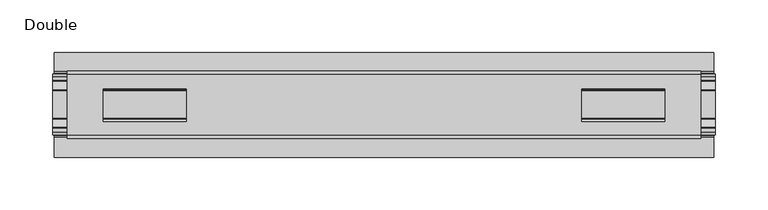
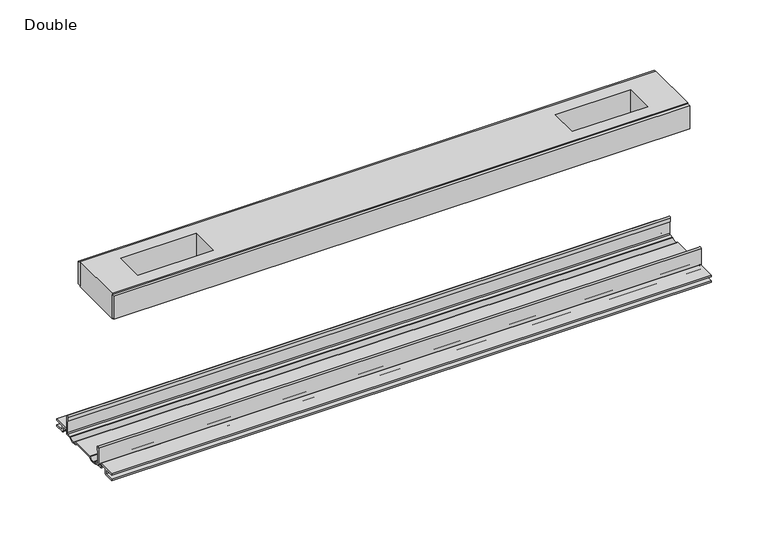
"""IFC4 building model written with IfcOpenShell, lengths in millimetres: proxy geometry, Double."""

from ifc_helpers import new_model, si_unit, point, frame, frame_2d, origin, place, context, project, spatial, polyline, circle_curve, trimmed, segment, composite_curve, outline, extrude, source, transform, mapped, element, save


def double_d49f8474(model_context):
    return source(origin(), model_context, "Body", "SweptSolid", [
        extrude(outline(polyline([(301.5615091, -29.0068005), (301.5615091, -32.1817997), (-301.5615091, -32.1817997), (-301.5615091, -29.0068005), (301.5615091, -29.0068005)])), frame((0.0, 0.0, 149.8401622), z_axis=(0.0, 0.0, 1.0), x_axis=(1.0, 0.0, 0.0)), (0.0, 0.0, 1.0), 25.3999939),
        extrude(outline(polyline([(301.5615091, 32.1817997), (301.5615091, 29.0068005), (-301.5615091, 29.0068005), (-301.5615091, 32.1817997), (301.5615091, 32.1817997)])), frame((0.0, 0.0, 149.8401622), z_axis=(0.0, 0.0, 1.0), x_axis=(1.0, 0.0, 0.0)), (0.0, 0.0, 1.0), 25.3999939),
        extrude(outline(polyline([(301.5615091, 29.0068005), (301.5615091, -29.0068005), (-301.5615091, -29.0068005), (-301.5615091, 29.0068005), (301.5615091, 29.0068005)]), holes=[polyline([(267.1444965, 15.1130038), (188.0996847, 15.1130038), (188.0996847, -15.875003), (267.1444965, -15.875003), (267.1444965, 15.1130038)]), polyline([(-267.1444965, 15.1130038), (-267.1444965, -15.875003), (-188.0996847, -15.875003), (-188.0996847, 15.1130038), (-267.1444965, 15.1130038)])]), frame((0.0, 0.0, 148.4185847), z_axis=(0.0, 0.0, 1.0), x_axis=(1.0, 0.0, 0.0)), (0.0, 0.0, 1.0), 27.9999988),
        extrude(outline(composite_curve([segment(polyline([(-28.8162961, -7.7516037), (-28.8162961, 9.8607558)]), True, "CONTINUOUS"), segment(trimmed(circle_curve(frame_2d((-27.5970982, 9.8607558)), 1.2191979), [point((-28.8162961, 9.8607558))], [point((-26.3779003, 9.8607558))], False, "CARTESIAN"), True, "CONTINUOUS"), segment(polyline([(-26.3779003, 9.8607558), (-26.3779003, 5.9999563), (-27.6580769, 5.9999563), (-27.6580769, -7.7516037)]), True, "CONTINUOUS"), segment(trimmed(circle_curve(frame_2d((-26.6420561, -7.7516037)), 1.0160208), [point((-27.6580769, -7.7516037))], [point((-26.6485732, -8.7676036))], True, "CARTESIAN"), True, "CONTINUOUS"), segment(polyline([(-26.6485732, -8.7676036), (-22.7056226, -8.7676036), (-21.7922609, -8.968753)]), True, "CONTINUOUS"), segment(trimmed(circle_curve(frame_2d((-17.7673021, -6.1259382)), 4.9276657), [point((-21.7922609, -8.968753))], [point((-13.7423434, -8.968753))], True, "CARTESIAN"), True, "CONTINUOUS"), segment(polyline([(-13.7423434, -8.968753), (-12.8289726, -8.7676036), (13.2099722, -8.7676036), (14.123343, -8.968753)]), True, "CONTINUOUS"), segment(trimmed(circle_curve(frame_2d((18.1483018, -6.1259382)), 4.9276657), [point((14.123343, -8.968753))], [point((22.1732605, -8.968753))], True, "CARTESIAN"), True, "CONTINUOUS"), segment(polyline([(22.1732605, -8.968753), (23.0866222, -8.7676036), (27.0295728, -8.7676036)]), True, "CONTINUOUS"), segment(trimmed(circle_curve(frame_2d((27.0230557, -7.7516037)), 1.0160208), [point((27.0295728, -8.7676036))], [point((28.0390765, -7.7516037))], True, "CARTESIAN"), True, "CONTINUOUS"), segment(polyline([(28.0390765, -7.7516037), (28.0390765, 5.9999563), (26.7588999, 5.9999563), (26.7588999, 9.8607558)]), True, "CONTINUOUS"), segment(trimmed(circle_curve(frame_2d((27.9780978, 9.8607558)), 1.2191979), [point((26.7588999, 9.8607558))], [point((29.1972958, 9.8607558))], False, "CARTESIAN"), True, "CONTINUOUS"), segment(polyline([(29.1972958, 9.8607558), (29.1972958, -7.7516037)]), True, "CONTINUOUS"), segment(trimmed(circle_curve(frame_2d((27.0230557, -7.7516037)), 2.17424), [point((29.1972958, -7.7516037))], [point((27.0230557, -9.9258438))], False, "CARTESIAN"), True, "CONTINUOUS"), segment(polyline([(27.0230557, -9.9258438), (22.732069, -9.9258438)]), True, "CONTINUOUS"), segment(trimmed(circle_curve(frame_2d((18.1516545, -6.4800016)), 5.7318431), [point((22.732069, -9.9258438))], [point((13.57124, -9.9258438))], False, "CARTESIAN"), True, "CONTINUOUS"), segment(polyline([(13.57124, -9.9258438), (-13.1902404, -9.9258438)]), True, "CONTINUOUS"), segment(trimmed(circle_curve(frame_2d((-17.7706549, -6.4800016)), 5.7318431), [point((-13.1902404, -9.9258438))], [point((-22.3510694, -9.9258438))], False, "CARTESIAN"), True, "CONTINUOUS"), segment(polyline([(-22.3510694, -9.9258438), (-26.6420561, -9.9258438)]), True, "CONTINUOUS"), segment(trimmed(circle_curve(frame_2d((-26.6420561, -7.7516037)), 2.17424), [point((-26.6420561, -9.9258438))], [point((-28.8162961, -7.7516037))], False, "CARTESIAN"), True, "CONTINUOUS")], self_intersect=False)), frame((-315.6204, 0.0, 0.0), z_axis=(1.0, 0.0, 0.0), x_axis=(0.0, 1.0, 0.0)), (0.0, 0.0, 1.0), 631.2408),
        extrude(outline(composite_curve([segment(polyline([(-50.2668422, -13.9898438), (-50.2240211, -12.3388438), (-39.7827507, -12.3388438), (-39.7827507, -7.766844), (-50.2240211, -7.766844), (-50.2668422, -6.1158439), (-31.1784975, -6.1158439)]), True, "CONTINUOUS"), segment(trimmed(circle_curve(frame_2d((-31.1784975, -7.6398436)), 1.5239997), [point((-31.1784975, -6.1158439))], [point((-29.6544978, -7.6398436))], False, "CARTESIAN"), True, "CONTINUOUS"), segment(polyline([(-29.6544978, -7.6398436), (-29.6544978, -9.9258438), (-23.1058344, -9.9258438)]), True, "CONTINUOUS"), segment(trimmed(circle_curve(frame_2d((-17.7673021, -5.2268471)), 7.1119966), [point((-23.1058344, -9.9258438))], [point((-12.4287699, -9.9258438))], True, "CARTESIAN"), True, "CONTINUOUS"), segment(polyline([(-12.4287699, -9.9258438), (12.8097695, -9.9258438)]), True, "CONTINUOUS"), segment(trimmed(circle_curve(frame_2d((18.1483018, -5.2268471)), 7.1119966), [point((12.8097695, -9.9258438))], [point((23.486834, -9.9258438))], True, "CARTESIAN"), True, "CONTINUOUS"), segment(polyline([(23.486834, -9.9258438), (30.0354975, -9.9258438), (30.0354975, -7.7656583)]), True, "CONTINUOUS"), segment(trimmed(circle_curve(frame_2d((31.6864982, -7.7656583)), 1.6510007), [point((30.0354975, -7.7656583))], [point((31.6239218, -6.1158439))], False, "CARTESIAN"), True, "CONTINUOUS"), segment(polyline([(31.6239218, -6.1158439), (50.00625, -6.1158439), (50.00625, -7.766844), (40.1637503, -7.766844), (40.1637503, -12.3388438), (50.00625, -12.3388438), (50.00625, -13.9898438), (40.0367518, -13.9898438)]), True, "CONTINUOUS"), segment(trimmed(circle_curve(frame_2d((40.0367518, -12.4658438)), 1.524), [point((40.0367518, -13.9898438))], [point((38.5127519, -12.4658438))], False, "CARTESIAN"), True, "CONTINUOUS"), segment(polyline([(38.5127519, -12.4658438), (38.5127519, -7.766844), (31.686497, -7.766844), (31.686497, -10.0528438)]), True, "CONTINUOUS"), segment(trimmed(circle_curve(frame_2d((30.1624971, -10.0528438)), 1.524), [point((31.686497, -10.0528438))], [point((30.1624971, -11.5768438))], False, "CARTESIAN"), True, "CONTINUOUS"), segment(polyline([(30.1624971, -11.5768438), (23.6563549, -11.5768438)]), True, "CONTINUOUS"), segment(trimmed(circle_curve(frame_2d((18.1483018, -6.4968436)), 7.4930002), [point((23.6563549, -11.5768438))], [point((12.8904968, -11.8354331))], False, "CARTESIAN"), True, "CONTINUOUS"), segment(polyline([(12.8904968, -11.8354331), (-12.5094972, -11.8354331)]), True, "CONTINUOUS"), segment(trimmed(circle_curve(frame_2d((-17.7673021, -6.4968436)), 7.4930002), [point((-12.5094972, -11.8354331))], [point((-23.2753553, -11.5768438))], False, "CARTESIAN"), True, "CONTINUOUS"), segment(polyline([(-23.2753553, -11.5768438), (-29.7814974, -11.5768438)]), True, "CONTINUOUS"), segment(trimmed(circle_curve(frame_2d((-29.7814974, -10.0528438)), 1.524), [point((-29.7814974, -11.5768438))], [point((-31.3054974, -10.0528438))], False, "CARTESIAN"), True, "CONTINUOUS"), segment(polyline([(-31.3054974, -10.0528438), (-31.3054974, -7.766844), (-38.1317522, -7.766844), (-38.1317522, -12.4658438)]), True, "CONTINUOUS"), segment(trimmed(circle_curve(frame_2d((-39.6557522, -12.4658438)), 1.524), [point((-38.1317522, -12.4658438))], [point((-39.6557522, -13.9898438))], False, "CARTESIAN"), True, "CONTINUOUS"), segment(polyline([(-39.6557522, -13.9898438), (-50.2668422, -13.9898438)]), True, "CONTINUOUS")], self_intersect=False)), frame((-313.9694, 0.0, 0.0), z_axis=(1.0, 0.0, 0.0), x_axis=(0.0, 1.0, 0.0)), (0.0, 0.0, 1.0), 627.9388),
    ])


if __name__ == "__main__":
    model = new_model("IFC4")
    model_context = context("Model", 3, world=origin())
    ifc_project = project(units=[si_unit("LENGTHUNIT", "METRE", prefix="MILLI")], contexts=[model_context])
    site = spatial("IfcSite", under=ifc_project)
    building = spatial("IfcBuilding", under=site)
    placement = place(None, origin())
    double_shape = double_d49f8474(model_context)
    element("IfcBuildingElementProxy", 1, Name="Double", ObjectType="Double", at=placement, inside=building, context=model_context, shape_type="MappedRepresentation", body=[
        mapped(double_shape, transform((0.0, 0.0, 0.0), x_axis=(1.0, 0.0, 0.0), y_axis=(0.0, 1.0, 0.0), z_axis=(0.0, 0.0, 1.0))),
    ])
    save(model, "model.ifc")
